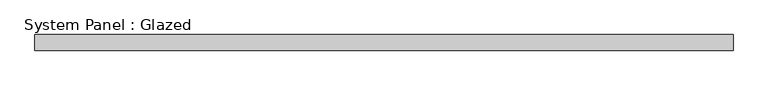
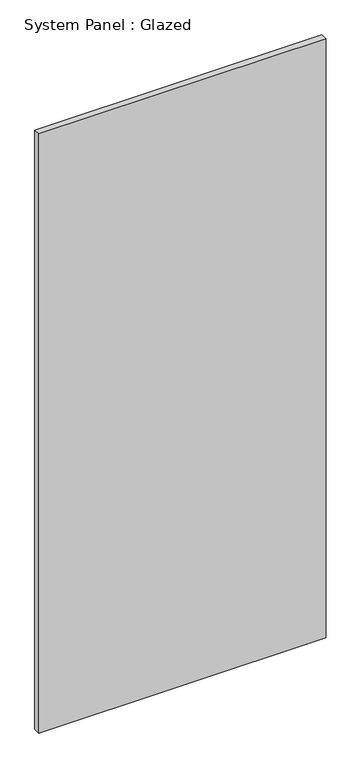
"""IFC4 building model written with IfcOpenShell, lengths in millimetres: plate geometry, System Panel : Glazed."""

import ifcopenshell
import ifcopenshell.guid

model = None  # the IFC model being written
_history = None  # IfcOwnerHistory: only IFC2X3 demands one
_inside = {}  # id of a spatial element -> (the spatial element, [elements in it])
_under = {}  # id of a project, library or spatial element -> (it, [spatial elements below it])
_declared = {}  # id of a project -> (the project, [libraries it declares])
_typed = {}  # id of a type object -> (the type object, [elements of that type])
_made_of = {}  # id of a material, layer set ... -> (it, [elements and type objects made of it])


def new_model(schema):
    """Start an empty IFC model of exactly this schema.

    Asked for "IFC4X3", IfcOpenShell would pick the latest addendum, in which some entities
    have other attributes; the version numbers below select the first issue.
    IFC2X3 requires an IfcOwnerHistory on every rooted entity: one is made here for all.
    """
    global model, _history
    if schema == "IFC4X3":
        model = ifcopenshell.file(schema_version=(4, 3, 0, 0))
    else:
        model = ifcopenshell.file(schema=schema)
    _inside.clear()
    _under.clear()
    _declared.clear()
    _typed.clear()
    _made_of.clear()
    _history = None
    if model.schema == "IFC2X3":
        org = make("IfcOrganization", Name="unknown")
        user = make(
            "IfcPersonAndOrganization",
            ThePerson=make("IfcPerson", FamilyName="unknown"),
            TheOrganization=org,
        )
        app = make(
            "IfcApplication",
            ApplicationDeveloper=org,
            Version="unknown",
            ApplicationFullName="unknown",
            ApplicationIdentifier="unknown",
        )
        _history = make(
            "IfcOwnerHistory",
            OwningUser=user,
            OwningApplication=app,
            ChangeAction="ADDED",
            CreationDate=0,
        )
    return model


def make(cls, **values):
    """One entity of the class cls with the attributes given. An attribute that is None is left unset."""
    return model.create_entity(
        cls, **{name: value for name, value in values.items() if value is not None}
    )


def rooted(cls, **values):
    """An entity with a GlobalId (a new one), such as an element, a storey or a relation."""
    return make(cls, GlobalId=ifcopenshell.guid.new(), OwnerHistory=_history, **values)


def si_unit(unit_type, name, prefix=None):
    """IfcSIUnit, for example si_unit("LENGTHUNIT", "METRE", prefix="MILLI")."""
    return make("IfcSIUnit", UnitType=unit_type, Prefix=prefix, Name=name)


def assignment(units):
    """IfcUnitAssignment: the units of a project."""
    return None if units is None else make("IfcUnitAssignment", Units=units)


def point(xyz):
    """IfcCartesianPoint."""
    return None if xyz is None else make("IfcCartesianPoint", Coordinates=xyz)


def direction(xyz):
    """IfcDirection."""
    return None if xyz is None else make("IfcDirection", DirectionRatios=xyz)


def frame(location, z_axis=None, x_axis=None):
    """IfcAxis2Placement3D, a coordinate frame: its origin and axes. An axis left out is left unset."""
    return make(
        "IfcAxis2Placement3D",
        Location=point(location),
        Axis=direction(z_axis),
        RefDirection=direction(x_axis),
    )


def origin():
    """The frame at (0, 0, 0) with its axes left unset."""
    return frame((0.0, 0.0, 0.0))


def origin_with_axes():
    """The frame at (0, 0, 0) with the z axis (0, 0, 1) and the x axis (1, 0, 0) written out."""
    return frame((0.0, 0.0, 0.0), z_axis=(0.0, 0.0, 1.0), x_axis=(1.0, 0.0, 0.0))


def place(relative_to, where):
    """IfcLocalPlacement: puts the frame where relative to a parent placement (None: the world)."""
    return make(
        "IfcLocalPlacement", PlacementRelTo=relative_to, RelativePlacement=where
    )


def context(
    kind, dimensions, precision=None, world=None, true_north=None, identifier=None
):
    """IfcGeometricRepresentationContext, for example the 3D "Model" context."""
    return make(
        "IfcGeometricRepresentationContext",
        ContextIdentifier=identifier,
        ContextType=kind,
        CoordinateSpaceDimension=dimensions,
        Precision=precision,
        WorldCoordinateSystem=world,
        TrueNorth=true_north,
    )


def project(units=None, contexts=None):
    """IfcProject with its units and contexts."""
    return rooted(
        "IfcProject",
        Name="project",
        RepresentationContexts=contexts,
        UnitsInContext=assignment(units),
    )


def spatial(cls, under=None, at=None, **own):
    """A site, building, storey or space (cls), placed at a placement, below another one or the project."""
    s = rooted(cls, ObjectPlacement=at, **own)
    if under is not None:
        _under.setdefault(under.id(), (under, []))[1].append(s)
    return s


def polyline(points):
    """IfcPolyline through the points."""
    return make("IfcPolyline", Points=[point(p) for p in points])


def outline(outer, holes=None, kind="AREA"):
    """IfcArbitraryClosedProfileDef: a profile drawn as a closed curve; with holes, ...WithVoids."""
    if holes is None:
        return make("IfcArbitraryClosedProfileDef", ProfileType=kind, OuterCurve=outer)
    return make(
        "IfcArbitraryProfileDefWithVoids",
        ProfileType=kind,
        OuterCurve=outer,
        InnerCurves=holes,
    )


def extrude(swept, where, along, depth):
    """IfcExtrudedAreaSolid: the profile swept, set in the frame where, extruded along a direction by depth."""
    return make(
        "IfcExtrudedAreaSolid",
        SweptArea=swept,
        Position=where,
        ExtrudedDirection=direction(along),
        Depth=depth,
    )


def shape(context_of_items, identifier, shape_type, items):
    """IfcShapeRepresentation: the items that make up one representation, for example the "Body"."""
    return make(
        "IfcShapeRepresentation",
        ContextOfItems=context_of_items,
        RepresentationIdentifier=identifier,
        RepresentationType=shape_type,
        Items=items,
    )


def source(mapping_origin, context_of_items, identifier, shape_type, items):
    """IfcRepresentationMap: a shape defined once, which mapped items show again and again."""
    return make(
        "IfcRepresentationMap",
        MappingOrigin=mapping_origin,
        MappedRepresentation=shape(context_of_items, identifier, shape_type, items),
    )


def transform(
    local_origin,
    x_axis=None,
    y_axis=None,
    z_axis=None,
    scale=None,
    scale2=None,
    scale3=None,
    uniform=True,
):
    """IfcCartesianTransformationOperator3D, or its non-uniform kind. x_axis, y_axis, z_axis: its Axis1, 2, 3."""
    if uniform:
        return make(
            "IfcCartesianTransformationOperator3D",
            Axis1=direction(x_axis),
            Axis2=direction(y_axis),
            LocalOrigin=point(local_origin),
            Scale=scale,
            Axis3=direction(z_axis),
        )
    return make(
        "IfcCartesianTransformationOperator3DnonUniform",
        Axis1=direction(x_axis),
        Axis2=direction(y_axis),
        LocalOrigin=point(local_origin),
        Scale=scale,
        Axis3=direction(z_axis),
        Scale2=scale2,
        Scale3=scale3,
    )


def mapped(mapping_source, mapping_target):
    """IfcMappedItem: shows the shape of a source again, moved by a transform."""
    return make(
        "IfcMappedItem", MappingSource=mapping_source, MappingTarget=mapping_target
    )


def made_of(thing, what):
    """Note that an element or type object is made of a material, layer set ...; save() writes the relation."""
    if what is not None:
        _made_of.setdefault(what.id(), (what, []))[1].append(thing)
    return thing


def element(
    cls,
    number,
    at=None,
    inside=None,
    cuts=None,
    type_object=None,
    material=None,
    context=None,
    identifier="Body",
    shape_type=None,
    held_by="IfcProductDefinitionShape",
    body=None,
    shapes=None,
    **own,
):
    """One element of the class cls, such as IfcWall. Its Tag is "e" and its number.

    at: its placement. inside: the storey or other place that contains it. cuts: it is an
    opening in that element (IfcRelVoidsElement). A single representation is given by context,
    identifier, shape_type and body (its items); several are given by shapes. held_by: the class
    of the entity that holds the representations. save() writes the other relations.
    """
    e = rooted(cls, Tag="e%d" % number, ObjectPlacement=at, **own)
    if body is not None:
        shapes = [shape(context, identifier, shape_type, body)]
    if shapes is not None:
        e.Representation = make(held_by, Representations=shapes)
    if inside is not None:
        _inside.setdefault(inside.id(), (inside, []))[1].append(e)
    if cuts is not None:
        rooted(
            "IfcRelVoidsElement", RelatingBuildingElement=cuts, RelatedOpeningElement=e
        )
    if type_object is not None:
        _typed.setdefault(type_object.id(), (type_object, []))[1].append(e)
    return made_of(e, material)


def aggregate(whole, parts):
    """IfcRelAggregates: a whole, such as a stair, and the parts it consists of."""
    return rooted("IfcRelAggregates", RelatingObject=whole, RelatedObjects=parts)


def save(model, path):
    """Write the relations noted so far, then the file.

    IfcRelAggregates (storeys below a building ...), IfcRelContainedInSpatialStructure (elements
    in a storey), IfcRelDefinesByType, IfcRelAssociatesMaterial and IfcRelDeclares: one each for
    every whole, place, type object, material and project.
    """
    for whole, parts in _under.values():
        aggregate(whole, parts)
    for where, things in _inside.values():
        rooted(
            "IfcRelContainedInSpatialStructure",
            RelatedElements=things,
            RelatingStructure=where,
        )
    for kind, things in _typed.values():
        rooted("IfcRelDefinesByType", RelatedObjects=things, RelatingType=kind)
    for what, things in _made_of.values():
        rooted("IfcRelAssociatesMaterial", RelatedObjects=things, RelatingMaterial=what)
    for by, libraries in _declared.values():
        rooted("IfcRelDeclares", RelatingContext=by, RelatedDefinitions=libraries)
    model.write(path)


def system_panel_glazed_0b4a11d0(model_context):
    return source(origin(), model_context, "Body", "SweptSolid", [
        extrude(outline(polyline([(553.175, 19.05), (-553.175, 19.05), (-553.175, 44.45), (553.175, 44.45), (553.175, 19.05)])), origin_with_axes(), (0.0, 0.0, 1.0), 2438.4),
    ])


if __name__ == "__main__":
    model = new_model("IFC4")
    model_context = context("Model", 3, world=origin())
    ifc_project = project(units=[si_unit("LENGTHUNIT", "METRE", prefix="MILLI")], contexts=[model_context])
    site = spatial("IfcSite", under=ifc_project)
    building = spatial("IfcBuilding", under=site)
    placement = place(None, origin())
    system_panel_glazed_shape = system_panel_glazed_0b4a11d0(model_context)
    element("IfcPlate", 1, ObjectType="System Panel : Glazed", at=placement, inside=building, context=model_context, shape_type="MappedRepresentation", body=[
        mapped(system_panel_glazed_shape, transform((0.0, 0.0, 0.0), x_axis=(1.0, 0.0, 0.0), y_axis=(0.0, 1.0, 0.0), z_axis=(0.0, 0.0, 1.0))),
    ])
    save(model, "model.ifc")
